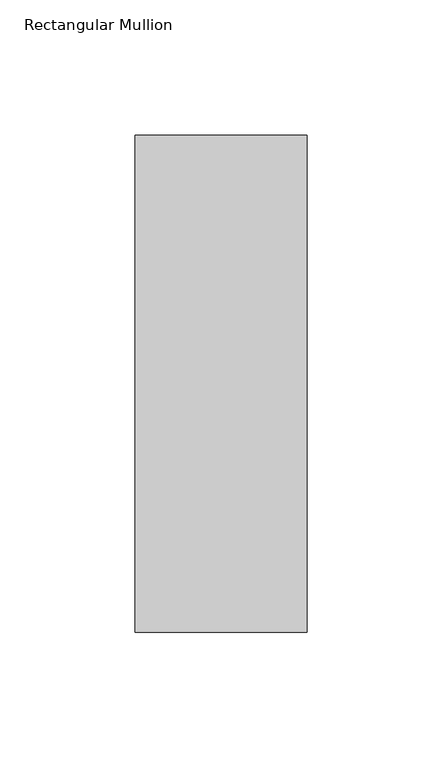
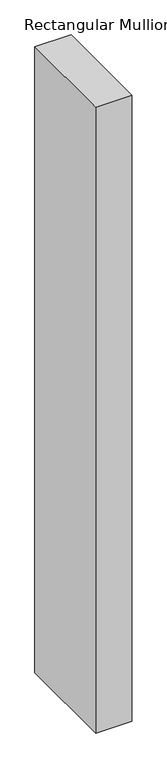
"""IFC4 building model written with IfcOpenShell, lengths in millimetres: member geometry, Rectangular Mullion."""

from ifc_helpers import new_model, si_unit, frame, origin, place, context, project, spatial, polyline, outline, extrude, source, transform, mapped, element, save


def rectangular_mullion_2dad6db2(model_context):
    return source(origin(), model_context, "Body", "SweptSolid", [
        extrude(outline(polyline([(-31.75, 75.803125), (-31.75, 259.4710136), (31.75, 259.4710136), (31.75, 75.803125), (-31.75, 75.803125)])), frame((0.0, 0.0, -1155.7), z_axis=(0.0, 0.0, 1.0), x_axis=(1.0, 0.0, 0.0)), (0.0, 0.0, 1.0), 1155.7),
    ])


if __name__ == "__main__":
    model = new_model("IFC4")
    model_context = context("Model", 3, world=origin())
    ifc_project = project(units=[si_unit("LENGTHUNIT", "METRE", prefix="MILLI")], contexts=[model_context])
    site = spatial("IfcSite", under=ifc_project)
    building = spatial("IfcBuilding", under=site)
    placement = place(None, origin())
    rectangular_mullion_shape = rectangular_mullion_2dad6db2(model_context)
    element("IfcMember", 1, ObjectType="Rectangular Mullion", at=placement, inside=building, context=model_context, shape_type="MappedRepresentation", body=[
        mapped(rectangular_mullion_shape, transform((0.0, 0.0, 0.0), x_axis=(1.0, 0.0, 0.0), y_axis=(0.0, 1.0, 0.0), z_axis=(0.0, 0.0, 1.0))),
    ])
    save(model, "model.ifc")
